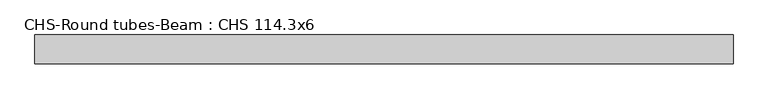
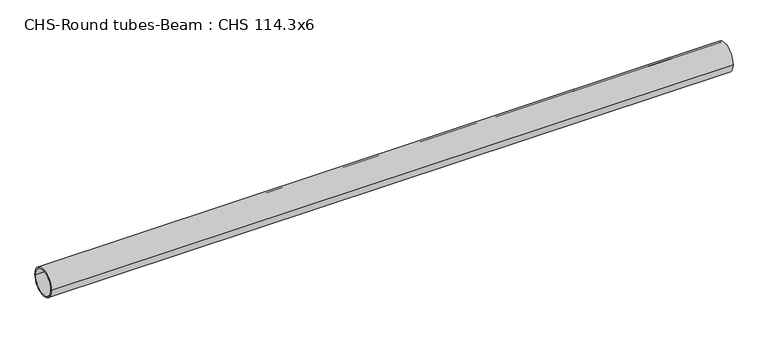
"""IFC4 building model written with IfcOpenShell, lengths in millimetres: beam geometry, CHS-Round tubes-Beam : CHS 114.3x6."""

from ifc_helpers import new_model, si_unit, point, frame, origin, origin_2d, place, context, project, spatial, circle_curve, trimmed, segment, composite_curve, outline, extrude, source, transform, mapped, element, save


def chs_round_tubes_beam_chs_114_3x6_29eb059c(model_context):
    return source(origin(), model_context, "Body", "SweptSolid", [
        extrude(outline(composite_curve([segment(trimmed(circle_curve(origin_2d(), 57.15), [point((57.15, 0.0))], [point((-57.15, 0.0))], False, "CARTESIAN"), True, "CONTINUOUS"), segment(trimmed(circle_curve(origin_2d(), 57.15), [point((-57.15, 0.0))], [point((57.15, 0.0))], False, "CARTESIAN"), True, "CONTINUOUS")], self_intersect=False), holes=[composite_curve([segment(trimmed(circle_curve(origin_2d(), 51.15), [point((51.15, 0.0))], [point((-51.15, 0.0))], True, "CARTESIAN"), True, "CONTINUOUS"), segment(trimmed(circle_curve(origin_2d(), 51.15), [point((-51.15, 0.0))], [point((51.15, 0.0))], True, "CARTESIAN"), True, "CONTINUOUS")], self_intersect=False)]), frame((-1379.1579818, 0.0, 0.0), z_axis=(1.0, 0.0, 0.0), x_axis=(0.0, 1.0, 0.0)), (0.0, 0.0, 1.0), 2750.6943423),
    ])


if __name__ == "__main__":
    model = new_model("IFC4")
    model_context = context("Model", 3, world=origin())
    ifc_project = project(units=[si_unit("LENGTHUNIT", "METRE", prefix="MILLI")], contexts=[model_context])
    site = spatial("IfcSite", under=ifc_project)
    building = spatial("IfcBuilding", under=site)
    placement = place(None, origin())
    chs_round_tubes_beam_chs_114_3x6_shape = chs_round_tubes_beam_chs_114_3x6_29eb059c(model_context)
    element("IfcBeam", 1, ObjectType="CHS-Round tubes-Beam : CHS 114.3x6", at=placement, inside=building, context=model_context, shape_type="MappedRepresentation", body=[
        mapped(chs_round_tubes_beam_chs_114_3x6_shape, transform((0.0, 0.0, 0.0), x_axis=(1.0, 0.0, 0.0), y_axis=(0.0, 1.0, 0.0), z_axis=(0.0, 0.0, 1.0))),
    ])
    save(model, "model.ifc")
